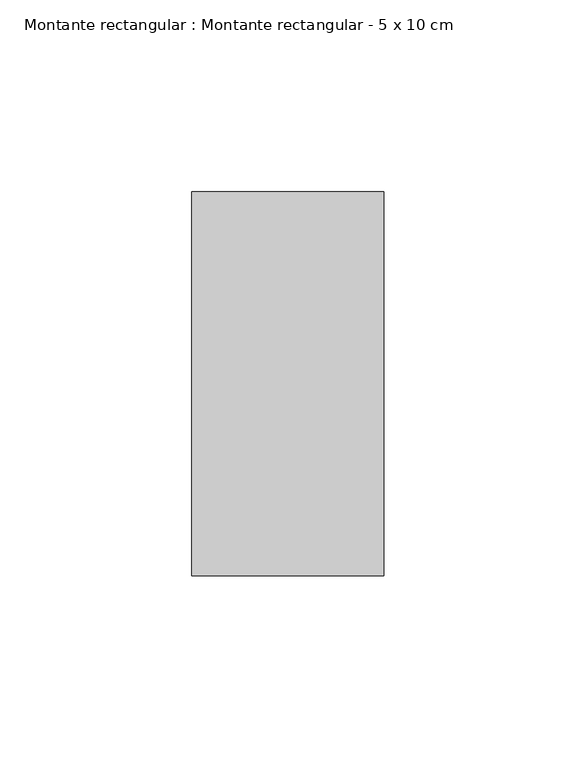
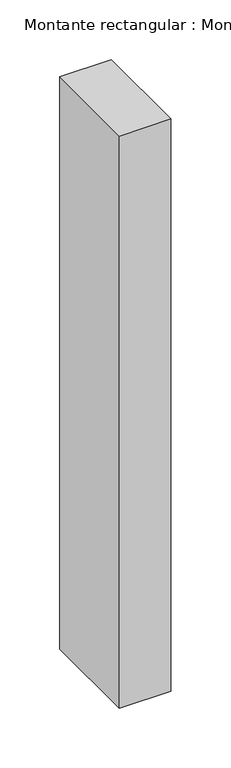
"""IFC4 building model written with IfcOpenShell, lengths in millimetres: member geometry, Montante rectangular : Montante rectangular - 5 x 10 cm."""

from ifc_helpers import new_model, si_unit, frame, origin, place, context, project, spatial, polyline, outline, extrude, source, transform, mapped, element, save


def montante_rectangular_montante_rectangular_5_x_10_cm_7f339fdf(model_context):
    return source(origin(), model_context, "Body", "SweptSolid", [
        extrude(outline(polyline([(-50.0, -50.0), (-50.0, 50.0), (0.0, 50.0), (0.0, -50.0), (-50.0, -50.0)])), frame((0.0, 0.0, -585.6725862), z_axis=(0.0, 0.0, 1.0), x_axis=(1.0, 0.0, 0.0)), (0.0, 0.0, 1.0), 585.6725862),
    ])


if __name__ == "__main__":
    model = new_model("IFC4")
    model_context = context("Model", 3, world=origin())
    ifc_project = project(units=[si_unit("LENGTHUNIT", "METRE", prefix="MILLI")], contexts=[model_context])
    site = spatial("IfcSite", under=ifc_project)
    building = spatial("IfcBuilding", under=site)
    placement = place(None, origin())
    montante_rectangular_montante_rectangular_5_x_10_cm_shape = montante_rectangular_montante_rectangular_5_x_10_cm_7f339fdf(model_context)
    element("IfcMember", 1, ObjectType="Montante rectangular : Montante rectangular - 5 x 10 cm", at=placement, inside=building, context=model_context, shape_type="MappedRepresentation", body=[
        mapped(montante_rectangular_montante_rectangular_5_x_10_cm_shape, transform((0.0, 0.0, 0.0), x_axis=(1.0, 0.0, 0.0), y_axis=(0.0, 1.0, 0.0), z_axis=(0.0, 0.0, 1.0))),
    ])
    save(model, "model.ifc")
